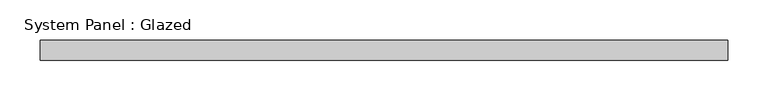
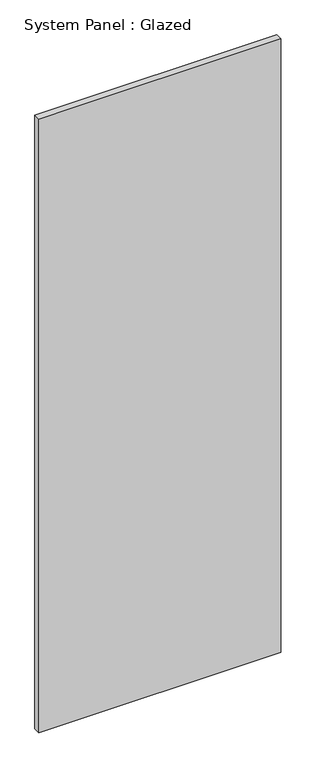
"""IFC4 building model written with IfcOpenShell, lengths in millimetres: plate geometry, System Panel : Glazed."""

from ifc_helpers import new_model, si_unit, origin, origin_with_axes, place, context, project, spatial, polyline, outline, extrude, source, transform, mapped, element, save


def system_panel_glazed_43a69323(model_context):
    return source(origin(), model_context, "Body", "SweptSolid", [
        extrude(outline(polyline([(428.5123973, -49.5), (-428.5123973, -49.5), (-428.5123973, -24.5), (428.5123973, -24.5), (428.5123973, -49.5)])), origin_with_axes(), (0.0, 0.0, 1.0), 2300.0),
    ])


if __name__ == "__main__":
    model = new_model("IFC4")
    model_context = context("Model", 3, world=origin())
    ifc_project = project(units=[si_unit("LENGTHUNIT", "METRE", prefix="MILLI")], contexts=[model_context])
    site = spatial("IfcSite", under=ifc_project)
    building = spatial("IfcBuilding", under=site)
    placement = place(None, origin())
    system_panel_glazed_shape = system_panel_glazed_43a69323(model_context)
    element("IfcPlate", 1, ObjectType="System Panel : Glazed", at=placement, inside=building, context=model_context, shape_type="MappedRepresentation", body=[
        mapped(system_panel_glazed_shape, transform((0.0, 0.0, 0.0), x_axis=(1.0, 0.0, 0.0), y_axis=(0.0, 1.0, 0.0), z_axis=(0.0, 0.0, 1.0))),
    ])
    save(model, "model.ifc")
